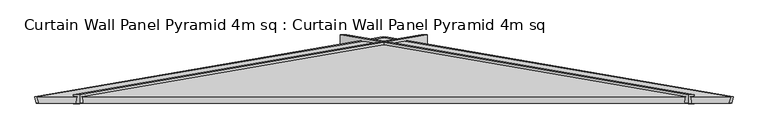
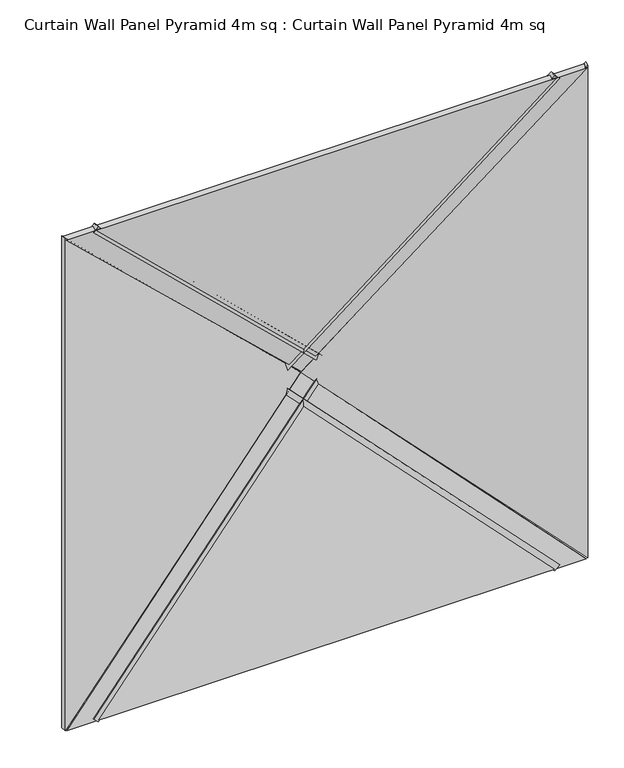
"""IFC4 building model written with IfcOpenShell, lengths in millimetres: plate geometry, Curtain Wall Panel Pyramid 4m sq : Curtain Wall Panel Pyramid 4m sq."""

from ifc_helpers import new_model, si_unit, frame, origin, place, context, project, spatial, polyline, outline, extrude, source, transform, mapped, element, save


def curtain_wall_panel_pyramid_4m_sq_curtain_wall_panel_pyramid_77b1aed5(model_context):
    return source(origin(), model_context, "Body", "SweptSolid", [
        extrude(outline(polyline([(-25.0, 0.0), (25.0, 0.0), (-319.5008531, -2828.2124727), (-369.5008531, -2828.2124727), (-25.0, 0.0)])), frame((1749.8223305, 25.0, -17.6776695), z_axis=(0.7071067811865489, 0.0, 0.7071067811865462), x_axis=(0.0, -1.0, 0.0)), (0.0, 0.0, 1.0), 50.0),
        extrude(outline(polyline([(-25.0, 0.0), (25.0, 0.0), (369.5008531, -2828.2124727), (319.5008531, -2828.2124727), (-25.0, 0.0)])), frame((-1749.8223305, 25.0, -17.6776695), z_axis=(-0.7071067811865476, 0.0, 0.7071067811865476), x_axis=(0.0, 1.0, 0.0)), (0.0, 0.0, 1.0), 50.0),
        extrude(outline(polyline([(-25.0, 0.0), (25.0, 0.0), (369.5008531, -2828.2124727), (319.5008531, -2828.2124727), (-25.0, 0.0)])), frame((-1785.1776695, 25.0, 3957.3223305), z_axis=(0.7071067811865487, 0.0, 0.7071067811865465), x_axis=(0.0, 1.0, 0.0)), (0.0, 0.0, 1.0), 50.0),
        extrude(outline(polyline([(-25.0, 0.0), (25.0, 0.0), (-319.5008531, -2828.2124727), (-369.5008531, -2828.2124727), (-25.0, 0.0)])), frame((1785.1776695, 25.0, 3957.3223305), z_axis=(-0.7071067811865472, 0.0, 0.7071067811865479), x_axis=(0.0, -1.0, 0.0)), (0.0, 0.0, 1.0), 50.0),
        extrude(outline(polyline([(1993.2098768, -1014.7271131), (-2.1709376, 1016.8143409), (3988.5906912, 1016.8143409), (1993.2098768, -1014.7271131)])), frame((1000.0, 172.8335872, 0.0), z_axis=(0.16975307948003834, 0.9854866270056859, 0.0), x_axis=(0.0, 0.0, 1.0)), (0.0, 0.0, 1.0), 40.0),
        extrude(outline(polyline([(0.0, -1014.7271131), (-1991.3928218, 1012.7540773), (1991.3928218, 1012.7540773), (0.0, -1014.7271131)])), frame((0.0, 212.2530523, 986.4197536), z_axis=(0.0, -0.9854866270056859, 0.16975307948003834), x_axis=(-1.0, 0.0, 0.0)), (0.0, 0.0, 1.0), 40.0),
        extrude(outline(polyline([(1993.2098768, 1014.7271131), (3986.6374086, -1014.8256606), (-0.217655, -1014.8256606), (1993.2098768, 1014.7271131)])), frame((-1000.0, 172.8335872, 0.0), z_axis=(-0.16975307948003834, 0.9854866270056859, 0.0), x_axis=(0.0, 0.0, 1.0)), (0.0, 0.0, 1.0), 40.0),
        extrude(outline(polyline([(1996.304868, -1017.8221042), (-1996.2959025, -1017.8221042), (2.4233431, 976.0594205), (1996.304868, -1017.8221042)])), frame((0.0, 172.8335872, 2968.2098768), z_axis=(0.0, 0.9854866270056859, 0.16975307948003832), x_axis=(1.0, 0.0, 0.0)), (0.0, 0.0, 1.0), 40.0),
    ])


if __name__ == "__main__":
    model = new_model("IFC4")
    model_context = context("Model", 3, world=origin())
    ifc_project = project(units=[si_unit("LENGTHUNIT", "METRE", prefix="MILLI")], contexts=[model_context])
    site = spatial("IfcSite", under=ifc_project)
    building = spatial("IfcBuilding", under=site)
    placement = place(None, origin())
    curtain_wall_panel_pyramid_4m_sq_curtain_wall_panel_pyramid_shape = curtain_wall_panel_pyramid_4m_sq_curtain_wall_panel_pyramid_77b1aed5(model_context)
    element("IfcPlate", 1, ObjectType="Curtain Wall Panel Pyramid 4m sq : Curtain Wall Panel Pyramid 4m sq", at=placement, inside=building, context=model_context, shape_type="MappedRepresentation", body=[
        mapped(curtain_wall_panel_pyramid_4m_sq_curtain_wall_panel_pyramid_shape, transform((0.0, 0.0, 0.0), x_axis=(1.0, 0.0, 0.0), y_axis=(0.0, 1.0, 0.0), z_axis=(0.0, 0.0, 1.0))),
    ])
    save(model, "model.ifc")
